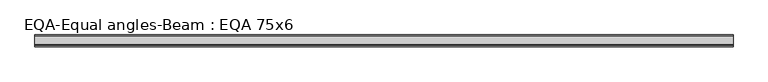
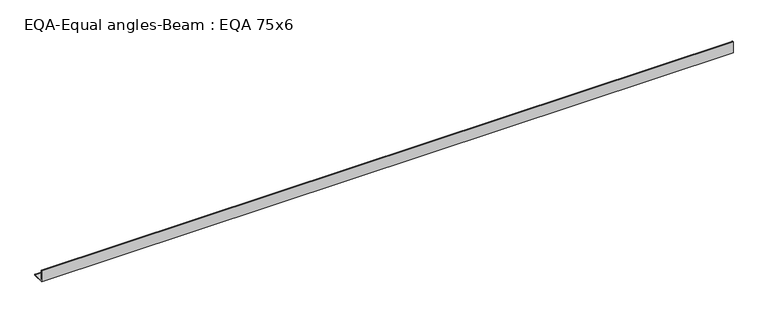
"""IFC4 building model written with IfcOpenShell, lengths in millimetres: beam geometry, EQA-Equal angles-Beam : EQA 75x6."""

from ifc_helpers import new_model, si_unit, point, frame, frame_2d, origin, place, context, project, spatial, polyline, circle_curve, trimmed, segment, composite_curve, outline, extrude, source, transform, mapped, element, save


def eqa_equal_angles_beam_eqa_75x6_3200fb8f(model_context):
    return source(origin(), model_context, "Body", "SweptSolid", [
        extrude(outline(composite_curve([segment(polyline([(-20.5, -20.5), (-20.5, 54.5), (-19.0, 54.5)]), True, "CONTINUOUS"), segment(trimmed(circle_curve(frame_2d((-19.0, 50.0)), 4.5), [point((-19.0, 54.5))], [point((-14.5, 50.0))], False, "CARTESIAN"), True, "CONTINUOUS"), segment(polyline([(-14.5, 50.0), (-14.5, -5.5)]), True, "CONTINUOUS"), segment(trimmed(circle_curve(frame_2d((-5.5, -5.5)), 9.0), [point((-14.5, -5.5))], [point((-5.5, -14.5))], True, "CARTESIAN"), True, "CONTINUOUS"), segment(polyline([(-5.5, -14.5), (50.0, -14.5)]), True, "CONTINUOUS"), segment(trimmed(circle_curve(frame_2d((50.0, -19.0)), 4.5), [point((50.0, -14.5))], [point((54.5, -19.0))], False, "CARTESIAN"), True, "CONTINUOUS"), segment(polyline([(54.5, -19.0), (54.5, -20.5), (-20.5, -20.5)]), True, "CONTINUOUS")], self_intersect=False)), frame((-2273.6564804, 0.0, 0.0), z_axis=(1.0, 0.0, 0.0), x_axis=(0.0, 1.0, 0.0)), (0.0, 0.0, 1.0), 4397.6126614),
    ])


if __name__ == "__main__":
    model = new_model("IFC4")
    model_context = context("Model", 3, world=origin())
    ifc_project = project(units=[si_unit("LENGTHUNIT", "METRE", prefix="MILLI")], contexts=[model_context])
    site = spatial("IfcSite", under=ifc_project)
    building = spatial("IfcBuilding", under=site)
    placement = place(None, origin())
    eqa_equal_angles_beam_eqa_75x6_shape = eqa_equal_angles_beam_eqa_75x6_3200fb8f(model_context)
    element("IfcBeam", 1, ObjectType="EQA-Equal angles-Beam : EQA 75x6", at=placement, inside=building, context=model_context, shape_type="MappedRepresentation", body=[
        mapped(eqa_equal_angles_beam_eqa_75x6_shape, transform((0.0, 0.0, 0.0), x_axis=(1.0, 0.0, 0.0), y_axis=(0.0, 1.0, 0.0), z_axis=(0.0, 0.0, 1.0))),
    ])
    save(model, "model.ifc")
